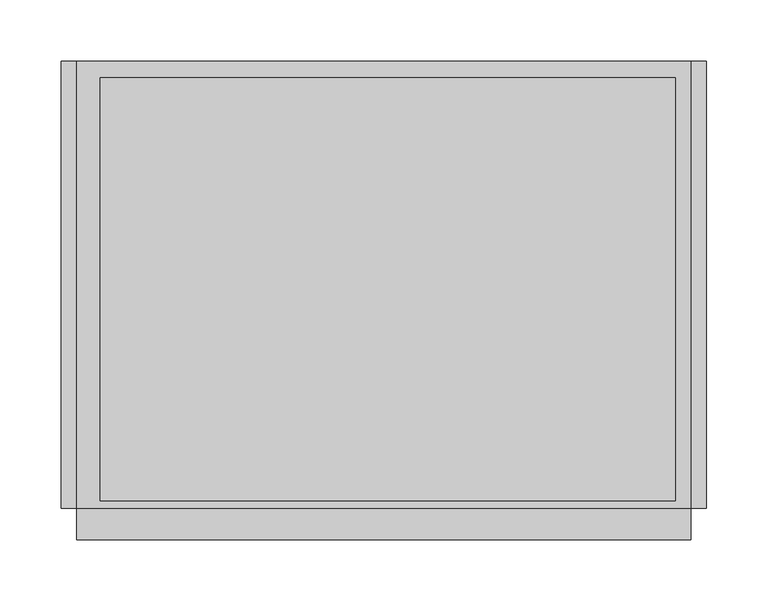
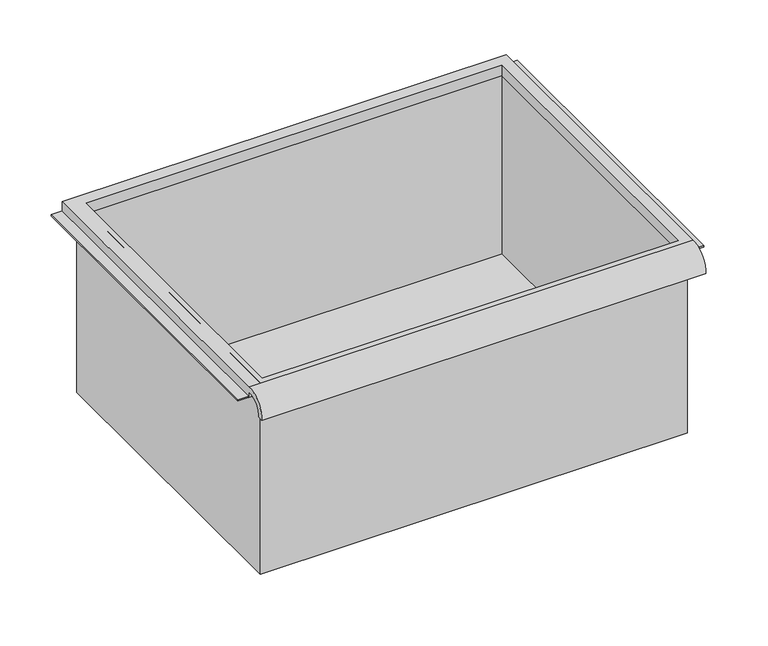
"""IFC4 building model written with IfcOpenShell, lengths in millimetres: furniture geometry."""

import ifcopenshell
import ifcopenshell.guid

model = None  # the IFC model being written
_history = None  # IfcOwnerHistory: only IFC2X3 demands one
_inside = {}  # id of a spatial element -> (the spatial element, [elements in it])
_under = {}  # id of a project, library or spatial element -> (it, [spatial elements below it])
_declared = {}  # id of a project -> (the project, [libraries it declares])
_typed = {}  # id of a type object -> (the type object, [elements of that type])
_made_of = {}  # id of a material, layer set ... -> (it, [elements and type objects made of it])


def new_model(schema):
    """Start an empty IFC model of exactly this schema.

    Asked for "IFC4X3", IfcOpenShell would pick the latest addendum, in which some entities
    have other attributes; the version numbers below select the first issue.
    IFC2X3 requires an IfcOwnerHistory on every rooted entity: one is made here for all.
    """
    global model, _history
    if schema == "IFC4X3":
        model = ifcopenshell.file(schema_version=(4, 3, 0, 0))
    else:
        model = ifcopenshell.file(schema=schema)
    _inside.clear()
    _under.clear()
    _declared.clear()
    _typed.clear()
    _made_of.clear()
    _history = None
    if model.schema == "IFC2X3":
        org = make("IfcOrganization", Name="unknown")
        user = make(
            "IfcPersonAndOrganization",
            ThePerson=make("IfcPerson", FamilyName="unknown"),
            TheOrganization=org,
        )
        app = make(
            "IfcApplication",
            ApplicationDeveloper=org,
            Version="unknown",
            ApplicationFullName="unknown",
            ApplicationIdentifier="unknown",
        )
        _history = make(
            "IfcOwnerHistory",
            OwningUser=user,
            OwningApplication=app,
            ChangeAction="ADDED",
            CreationDate=0,
        )
    return model


def make(cls, **values):
    """One entity of the class cls with the attributes given. An attribute that is None is left unset."""
    return model.create_entity(
        cls, **{name: value for name, value in values.items() if value is not None}
    )


def rooted(cls, **values):
    """An entity with a GlobalId (a new one), such as an element, a storey or a relation."""
    return make(cls, GlobalId=ifcopenshell.guid.new(), OwnerHistory=_history, **values)


def si_unit(unit_type, name, prefix=None):
    """IfcSIUnit, for example si_unit("LENGTHUNIT", "METRE", prefix="MILLI")."""
    return make("IfcSIUnit", UnitType=unit_type, Prefix=prefix, Name=name)


def assignment(units):
    """IfcUnitAssignment: the units of a project."""
    return None if units is None else make("IfcUnitAssignment", Units=units)


def point(xyz):
    """IfcCartesianPoint."""
    return None if xyz is None else make("IfcCartesianPoint", Coordinates=xyz)


def direction(xyz):
    """IfcDirection."""
    return None if xyz is None else make("IfcDirection", DirectionRatios=xyz)


def frame(location, z_axis=None, x_axis=None):
    """IfcAxis2Placement3D, a coordinate frame: its origin and axes. An axis left out is left unset."""
    return make(
        "IfcAxis2Placement3D",
        Location=point(location),
        Axis=direction(z_axis),
        RefDirection=direction(x_axis),
    )


def origin():
    """The frame at (0, 0, 0) with its axes left unset."""
    return frame((0.0, 0.0, 0.0))


def place(relative_to, where):
    """IfcLocalPlacement: puts the frame where relative to a parent placement (None: the world)."""
    return make(
        "IfcLocalPlacement", PlacementRelTo=relative_to, RelativePlacement=where
    )


def context(
    kind, dimensions, precision=None, world=None, true_north=None, identifier=None
):
    """IfcGeometricRepresentationContext, for example the 3D "Model" context."""
    return make(
        "IfcGeometricRepresentationContext",
        ContextIdentifier=identifier,
        ContextType=kind,
        CoordinateSpaceDimension=dimensions,
        Precision=precision,
        WorldCoordinateSystem=world,
        TrueNorth=true_north,
    )


def project(units=None, contexts=None):
    """IfcProject with its units and contexts."""
    return rooted(
        "IfcProject",
        Name="project",
        RepresentationContexts=contexts,
        UnitsInContext=assignment(units),
    )


def spatial(cls, under=None, at=None, **own):
    """A site, building, storey or space (cls), placed at a placement, below another one or the project."""
    s = rooted(cls, ObjectPlacement=at, **own)
    if under is not None:
        _under.setdefault(under.id(), (under, []))[1].append(s)
    return s


def polyline(points):
    """IfcPolyline through the points."""
    return make("IfcPolyline", Points=[point(p) for p in points])


def circle_curve(where, radius):
    """IfcCircle in the frame where."""
    return make("IfcCircle", Position=where, Radius=radius)


def faces_of(points, faces, orient=None, outer=None):
    """IfcFace entities. A face is a list of loops; a loop is a list of indices into points, from 0.

    orient and outer hold one flag for each loop. By default every Orientation is true, the
    first loop of a face is its IfcFaceOuterBound and the others are IfcFaceBound.
    """
    made = []
    for i, loops in enumerate(faces):
        bounds = []
        for j, loop in enumerate(loops):
            is_outer = j == 0 if outer is None else outer[i][j]
            bounds.append(
                make(
                    "IfcFaceOuterBound" if is_outer else "IfcFaceBound",
                    Bound=make("IfcPolyLoop", Polygon=[points[k] for k in loop]),
                    Orientation=True if orient is None else orient[i][j],
                )
            )
        made.append(make("IfcFace", Bounds=bounds))
    return made


def faceted_brep(points, faces, orient=None, outer=None, voids=None):
    """IfcFacetedBrep: a solid bounded by flat faces; with voids (closed shells), ...WithVoids."""
    shared = [point(p) for p in points]
    hull = make("IfcClosedShell", CfsFaces=faces_of(shared, faces, orient, outer))
    if voids is None:
        return make("IfcFacetedBrep", Outer=hull)
    return make(
        "IfcFacetedBrepWithVoids",
        Outer=hull,
        Voids=[
            make(cls, CfsFaces=faces_of(shared, fs, o, b)) for cls, fs, o, b in voids
        ],
    )


def shape(context_of_items, identifier, shape_type, items):
    """IfcShapeRepresentation: the items that make up one representation, for example the "Body"."""
    return make(
        "IfcShapeRepresentation",
        ContextOfItems=context_of_items,
        RepresentationIdentifier=identifier,
        RepresentationType=shape_type,
        Items=items,
    )


def source(mapping_origin, context_of_items, identifier, shape_type, items):
    """IfcRepresentationMap: a shape defined once, which mapped items show again and again."""
    return make(
        "IfcRepresentationMap",
        MappingOrigin=mapping_origin,
        MappedRepresentation=shape(context_of_items, identifier, shape_type, items),
    )


def transform(
    local_origin,
    x_axis=None,
    y_axis=None,
    z_axis=None,
    scale=None,
    scale2=None,
    scale3=None,
    uniform=True,
):
    """IfcCartesianTransformationOperator3D, or its non-uniform kind. x_axis, y_axis, z_axis: its Axis1, 2, 3."""
    if uniform:
        return make(
            "IfcCartesianTransformationOperator3D",
            Axis1=direction(x_axis),
            Axis2=direction(y_axis),
            LocalOrigin=point(local_origin),
            Scale=scale,
            Axis3=direction(z_axis),
        )
    return make(
        "IfcCartesianTransformationOperator3DnonUniform",
        Axis1=direction(x_axis),
        Axis2=direction(y_axis),
        LocalOrigin=point(local_origin),
        Scale=scale,
        Axis3=direction(z_axis),
        Scale2=scale2,
        Scale3=scale3,
    )


def mapped(mapping_source, mapping_target):
    """IfcMappedItem: shows the shape of a source again, moved by a transform."""
    return make(
        "IfcMappedItem", MappingSource=mapping_source, MappingTarget=mapping_target
    )


def made_of(thing, what):
    """Note that an element or type object is made of a material, layer set ...; save() writes the relation."""
    if what is not None:
        _made_of.setdefault(what.id(), (what, []))[1].append(thing)
    return thing


def element(
    cls,
    number,
    at=None,
    inside=None,
    cuts=None,
    type_object=None,
    material=None,
    context=None,
    identifier="Body",
    shape_type=None,
    held_by="IfcProductDefinitionShape",
    body=None,
    shapes=None,
    **own,
):
    """One element of the class cls, such as IfcWall. Its Tag is "e" and its number.

    at: its placement. inside: the storey or other place that contains it. cuts: it is an
    opening in that element (IfcRelVoidsElement). A single representation is given by context,
    identifier, shape_type and body (its items); several are given by shapes. held_by: the class
    of the entity that holds the representations. save() writes the other relations.
    """
    e = rooted(cls, Tag="e%d" % number, ObjectPlacement=at, **own)
    if body is not None:
        shapes = [shape(context, identifier, shape_type, body)]
    if shapes is not None:
        e.Representation = make(held_by, Representations=shapes)
    if inside is not None:
        _inside.setdefault(inside.id(), (inside, []))[1].append(e)
    if cuts is not None:
        rooted(
            "IfcRelVoidsElement", RelatingBuildingElement=cuts, RelatedOpeningElement=e
        )
    if type_object is not None:
        _typed.setdefault(type_object.id(), (type_object, []))[1].append(e)
    return made_of(e, material)


def aggregate(whole, parts):
    """IfcRelAggregates: a whole, such as a stair, and the parts it consists of."""
    return rooted("IfcRelAggregates", RelatingObject=whole, RelatedObjects=parts)


def save(model, path):
    """Write the relations noted so far, then the file.

    IfcRelAggregates (storeys below a building ...), IfcRelContainedInSpatialStructure (elements
    in a storey), IfcRelDefinesByType, IfcRelAssociatesMaterial and IfcRelDeclares: one each for
    every whole, place, type object, material and project.
    """
    for whole, parts in _under.values():
        aggregate(whole, parts)
    for where, things in _inside.values():
        rooted(
            "IfcRelContainedInSpatialStructure",
            RelatedElements=things,
            RelatingStructure=where,
        )
    for kind, things in _typed.values():
        rooted("IfcRelDefinesByType", RelatedObjects=things, RelatingType=kind)
    for what, things in _made_of.values():
        rooted("IfcRelAssociatesMaterial", RelatedObjects=things, RelatingMaterial=what)
    for by, libraries in _declared.values():
        rooted("IfcRelDeclares", RelatingContext=by, RelatedDefinitions=libraries)
    model.write(path)


def plane_surface(at):
    """IfcPlane: the flat surface through the origin of the frame at, square to its z axis."""
    return make("IfcPlane", Position=at)


def cylinder_surface(at, radius):
    """IfcCylindricalSurface: all points at the distance radius from the z axis of the frame at."""
    return make("IfcCylindricalSurface", Position=at, Radius=radius)


def revolved_surface(curve, axis_point, axis_direction):
    """IfcSurfaceOfRevolution: the curve turned about the line through axis_point along axis_direction."""
    return make(
        "IfcSurfaceOfRevolution",
        SweptCurve=make("IfcArbitraryOpenProfileDef", ProfileType="CURVE", Curve=curve),
        AxisPosition=make("IfcAxis1Placement", Location=point(axis_point), Axis=direction(axis_direction)),
    )


def advanced_brep(points, edges, surfaces, faces):
    """IfcAdvancedBrep: a solid bounded by faces that lie on surfaces and meet in shared edges.

    An edge is (start, end): straight between two places in points (the first is 0);
    or (start, end, curve); or (start, end, curve, False) where it runs against its curve.
    A face is (place in surfaces, loops), or (place, loops, False) where it looks against
    its surface's normal. A loop lists edges by number (the first is 1), with a minus sign
    where the edge is run from its end to its start. The first loop is the outer one.
    """
    corners = [point(p) for p in points]
    vertices = [make("IfcVertexPoint", VertexGeometry=c) for c in corners]
    made = []
    for start, end, *more in edges:
        made.append(
            make(
                "IfcEdgeCurve",
                EdgeStart=vertices[start],
                EdgeEnd=vertices[end],
                EdgeGeometry=more[0] if more else make("IfcPolyline", Points=[corners[start], corners[end]]),
                SameSense=more[1] if len(more) > 1 else True,
            )
        )
    hull = []
    for where, loops, *sense in faces:
        bounds = []
        for j, loop in enumerate(loops):
            ring = [make("IfcOrientedEdge", EdgeElement=made[abs(k) - 1], Orientation=k > 0) for k in loop]
            bounds.append(
                make(
                    "IfcFaceOuterBound" if j == 0 else "IfcFaceBound",
                    Bound=make("IfcEdgeLoop", EdgeList=ring),
                    Orientation=True,
                )
            )
        hull.append(make("IfcAdvancedFace", Bounds=bounds, FaceSurface=surfaces[where], SameSense=sense[0] if sense else True))
    return make("IfcAdvancedBrep", Outer=make("IfcClosedShell", CfsFaces=hull))


def furniture_9496078b(model_context):
    return source(origin(), model_context, "Body", "SolidModel", [
        advanced_brep(
        [(263.7474999, -195.297482, 435.3035444), (263.7474999, -188.9125, 435.3035444), (263.7474999, -169.8625, 453.5650176), (263.7474999, -169.8625, 447.2150172), (263.7474999, 195.2625, 447.2150172), (263.7474999, 195.2625, 459.9150176), (263.7474999, -169.8625, 459.9150176), (-237.9025001, -195.297482, 435.3035444), (-237.9025001, -169.8625, 459.9150176), (-237.9025001, 195.2625, 459.9150176), (-237.9025001, 195.2625, 447.2150172), (-237.9025001, -169.8625, 447.2150172), (-237.9025001, -169.8625, 453.5650176), (-237.9025001, -188.9125, 435.3035444), (251.0474878, 181.9275, 447.2150172), (-218.8095642, 181.9275, 447.2150172), (-218.8095642, -163.5125, 447.2150172), (251.0474878, -163.5125, 447.2150172), (-218.8095642, 181.9275, 459.9150176), (251.0474878, 181.9275, 459.9150176), (251.0474878, -163.5125, 459.9150176), (-218.8095642, -163.5125, 459.9150176)],
        [
            (0, 1),
            (1, 2, circle_curve(frame((263.7474999, -172.3404634, 437.0829547), z_axis=(-1.0, 0.0, 0.0), x_axis=(0.0, 1.0, 0.0)), 16.6672942)),
            (2, 3),
            (3, 4),
            (4, 5),
            (5, 6),
            (6, 0, circle_curve(frame((263.7474999, -172.4601678, 437.1508447), z_axis=(1.0, 0.0, 0.0), x_axis=(0.0, 1.0, 0.0)), 22.9119061)),
            (7, 8, circle_curve(frame((-237.9025001, -172.4601678, 437.1508447), z_axis=(-1.0, 0.0, 0.0), x_axis=(0.0, 1.0, 0.0)), 22.9119061)),
            (8, 9),
            (9, 10),
            (10, 11),
            (11, 12),
            (12, 13, circle_curve(frame((-237.9025001, -172.3404634, 437.0829547), z_axis=(1.0, 0.0, 0.0), x_axis=(0.0, 1.0, 0.0)), 16.6672942)),
            (13, 7),
            (0, 7),
            (13, 1),
            (12, 2),
            (11, 3),
            (10, 4),
            (14, 15),
            (15, 16),
            (16, 17),
            (17, 14),
            (9, 5),
            (8, 6),
            (18, 19),
            (19, 20),
            (20, 21),
            (21, 18),
            (14, 19),
            (18, 15),
            (21, 16),
            (20, 17),
        ],
        [
            plane_surface(frame((263.7474999, -195.297482, 435.3035444), z_axis=(1.0, 0.0, 0.0), x_axis=(0.0, 1.0, 0.0))),
            plane_surface(frame((-237.9025001, -195.297482, 435.3035444), z_axis=(-1.0, 0.0, 0.0), x_axis=(0.0, -1.0, 0.0))),
            plane_surface(frame((263.7474999, -195.297482, 435.3035444), z_axis=(0.0, 0.0, -1.0), x_axis=(-1.0, 0.0, 0.0))),
            revolved_surface(polyline([(-237.9025001, -155.67316920000002, 437.0829547), (263.7474999, -155.67316920000002, 437.0829547)]), (-237.9025001, -172.3404634, 437.0829547), (-1.0, 0.0, 0.0)),
            plane_surface(frame((263.7474999, -169.8625, 453.5650176), z_axis=(0.0, -1.0, 0.0), x_axis=(-1.0, 0.0, 0.0))),
            plane_surface(frame((263.7474999, -169.8625, 447.2150172), z_axis=(0.0, 0.0, -1.0), x_axis=(-1.0, 0.0, 0.0))),
            plane_surface(frame((263.7474999, 195.2625, 447.2150172), z_axis=(0.0, 1.0, 0.0), x_axis=(-1.0, 0.0, 0.0))),
            plane_surface(frame((263.7474999, 195.2625, 459.9150176), z_axis=(0.0, 0.0, 1.0), x_axis=(-1.0, 0.0, 0.0))),
            cylinder_surface(frame((-237.9025001, -172.4601678, 437.1508447), z_axis=(1.0, 0.0, 0.0), x_axis=(0.0, 1.0, 0.0)), 22.9119061),
            plane_surface(frame((251.0474878, 181.9275, 459.9150176), z_axis=(0.0, -1.0, 0.0), x_axis=(0.0, 0.0, -1.0))),
            plane_surface(frame((-218.8095642, 181.9275, 459.9150176), z_axis=(1.0, 0.0, 0.0), x_axis=(0.0, 0.0, -1.0))),
            plane_surface(frame((-218.8095642, -163.5125, 459.9150176), z_axis=(0.0, 1.0, 0.0), x_axis=(0.0, 0.0, -1.0))),
            plane_surface(frame((251.0474878, -163.5125, 459.9150176), z_axis=(-1.0, 0.0, 0.0), x_axis=(0.0, 0.0, -1.0))),
        ],
        [
            (0, [[1, 2, 3, 4, 5, 6, 7]]),
            (1, [[8, 9, 10, 11, 12, 13, 14]]),
            (2, [[-1, 15, -14, 16]]),
            (3, [[-2, -16, -13, 17]]),
            (4, [[-3, -17, -12, 18]]),
            (5, [[-4, -18, -11, 19], [20, 21, 22, 23]]),
            (6, [[-5, -19, -10, 24]]),
            (7, [[-6, -24, -9, 25], [26, 27, 28, 29]]),
            (8, [[-7, -25, -8, -15]]),
            (9, [[30, -26, 31, -20]]),
            (10, [[-31, -29, 32, -21]]),
            (11, [[-32, -28, 33, -22]]),
            (12, [[-30, -23, -33, -27]]),
        ],
    ),
        faceted_brep([(-225.2025001, -169.8625, 231.3150176), (257.3974878, -169.8625, 231.3150176), (257.3974878, -169.8625, 459.9150176), (-225.2025001, -169.8625, 459.9150176), (-225.2025001, 188.9125, 231.3150176), (-225.2025001, 188.9125, 459.9150176), (257.3974878, 188.9125, 459.9150176), (257.3974878, 188.9125, 231.3150176), (-218.8095642, 181.9275, 459.9150176), (251.0474878, 181.9275, 459.9150176), (251.0474878, -163.5125, 459.9150176), (-218.8095642, -163.5125, 459.9150176), (251.0474878, 181.9275, 234.4900176), (-218.8095642, 181.9275, 234.4900176), (-218.8095642, -163.5125, 234.4900176), (251.0474878, -163.5125, 234.4900176)], [[[0, 1, 2, 3]], [[4, 5, 6, 7]], [[1, 0, 4, 7]], [[2, 1, 7, 6]], [[3, 2, 6, 5], [8, 9, 10, 11]], [[0, 3, 5, 4]], [[12, 13, 14, 15]], [[13, 12, 9, 8]], [[14, 13, 8, 11]], [[15, 14, 11, 10]], [[12, 15, 10, 9]]]),
        faceted_brep([(-250.6025001, 195.2625, 447.2150172), (-250.6025001, 195.2625, 448.8025172), (-231.5525001, 195.2625, 448.8025172), (-231.5525001, 195.2625, 447.2150172), (-250.6025001, -169.8625, 447.2150172), (-231.5525001, -169.8625, 447.2150172), (-231.5525001, -169.8625, 448.8025172), (-250.6025001, -169.8625, 448.8025172)], [[[0, 1, 2, 3]], [[4, 5, 6, 7]], [[1, 0, 4, 7]], [[2, 1, 7, 6]], [[3, 2, 6, 5]], [[0, 3, 5, 4]]]),
        faceted_brep([(276.4474999, 195.2625, 447.2150172), (263.7474999, 195.2625, 447.2150172), (263.7474999, 195.2625, 448.8025172), (276.4474999, 195.2625, 448.8025172), (276.4474999, -169.8625, 447.2150172), (276.4474999, -169.8625, 448.8025172), (263.7474999, -169.8625, 448.8025172), (263.7474999, -169.8625, 447.2150172)], [[[0, 1, 2, 3]], [[4, 5, 6, 7]], [[1, 0, 4, 7]], [[2, 1, 7, 6]], [[3, 2, 6, 5]], [[0, 3, 5, 4]]]),
    ])


if __name__ == "__main__":
    model = new_model("IFC4")
    model_context = context("Model", 3, world=origin())
    ifc_project = project(units=[si_unit("LENGTHUNIT", "METRE", prefix="MILLI")], contexts=[model_context])
    site = spatial("IfcSite", under=ifc_project)
    building = spatial("IfcBuilding", under=site)
    placement = place(None, origin())
    furniture_shape = furniture_9496078b(model_context)
    element("IfcFurniture", 1, at=placement, inside=building, context=model_context, shape_type="MappedRepresentation", body=[
        mapped(furniture_shape, transform((0.0, 0.0, 0.0), x_axis=(1.0, 0.0, 0.0), y_axis=(0.0, 1.0, 0.0), z_axis=(0.0, 0.0, 1.0))),
    ])
    save(model, "model.ifc")
